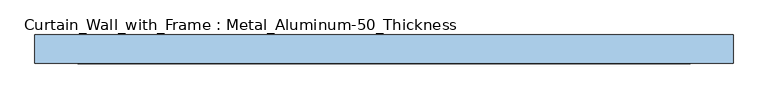
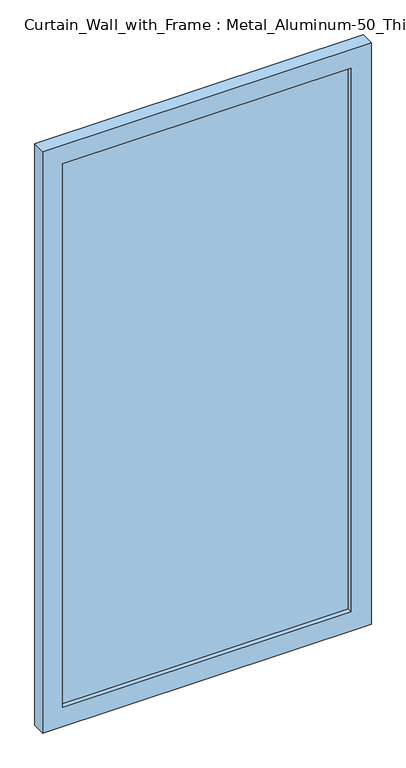
"""IFC4 building model written with IfcOpenShell, lengths in millimetres: window geometry, Curtain_Wall_with_Frame : Metal_Aluminum-50_Thickness."""

from ifc_helpers import new_model, si_unit, frame, origin, place, context, project, spatial, polyline, outline, extrude, source, transform, mapped, element, save


def curtain_wall_with_frame_metal_aluminum_50_thickness_52f47e5e(model_context):
    return source(origin(), model_context, "Body", "SweptSolid", [
        extrude(outline(polyline([(537.5, 30.95), (537.5, 18.25), (-537.5, 18.25), (-537.5, 30.95), (537.5, 30.95)])), frame((0.0, 0.0, 75.0), z_axis=(0.0, 0.0, 1.0), x_axis=(1.0, 0.0, 0.0)), (0.0, 0.0, 1.0), 2140.0),
        extrude(outline(polyline([(2290.0, -612.5), (0.0, -612.5), (0.0, 612.5), (2290.0, 612.5), (2290.0, -612.5)]), holes=[polyline([(2215.0, -537.5), (2215.0, 537.5), (75.0, 537.5), (75.0, -537.5), (2215.0, -537.5)])]), frame((0.0, 0.0, 0.0), z_axis=(0.0, 1.0, 0.0), x_axis=(0.0, 0.0, 1.0)), (0.0, 0.0, 1.0), 50.0),
    ])


if __name__ == "__main__":
    model = new_model("IFC4")
    model_context = context("Model", 3, world=origin())
    ifc_project = project(units=[si_unit("LENGTHUNIT", "METRE", prefix="MILLI")], contexts=[model_context])
    site = spatial("IfcSite", under=ifc_project)
    building = spatial("IfcBuilding", under=site)
    placement = place(None, origin())
    curtain_wall_with_frame_metal_aluminum_50_thickness_shape = curtain_wall_with_frame_metal_aluminum_50_thickness_52f47e5e(model_context)
    element("IfcWindow", 1, ObjectType="Curtain_Wall_with_Frame : Metal_Aluminum-50_Thickness", at=placement, inside=building, context=model_context, shape_type="MappedRepresentation", body=[
        mapped(curtain_wall_with_frame_metal_aluminum_50_thickness_shape, transform((0.0, 0.0, 0.0), x_axis=(1.0, 0.0, 0.0), y_axis=(0.0, 1.0, 0.0), z_axis=(0.0, 0.0, 1.0))),
    ])
    save(model, "model.ifc")
